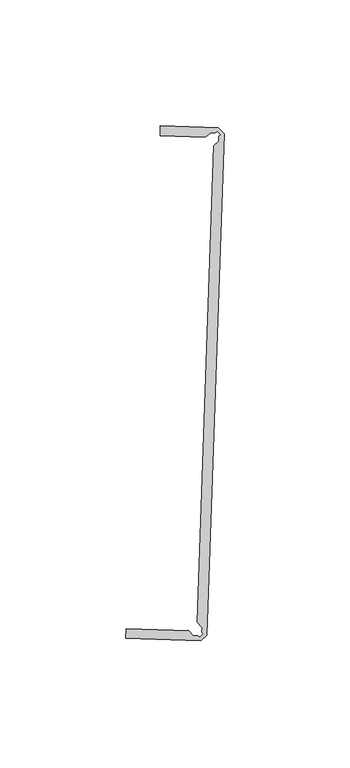
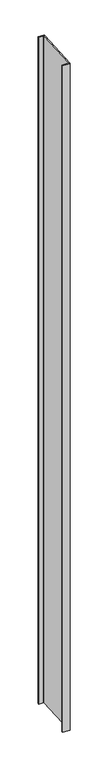
"""IFC4 building model written with IfcOpenShell, lengths in millimetres: proxy geometry."""

from ifc_helpers import new_model, si_unit, frame, origin, place, context, project, spatial, polyline, outline, extrude, source, transform, mapped, element, save


def generic_models_4b23c148(model_context):
    return source(origin(), model_context, "Body", "SweptSolid", [
        extrude(outline(polyline([(18265.9565737, -14895.037942), (18268.2561799, -14897.5005184), (18261.4353456, -15096.8130513), (18258.9770098, -15099.1171903), (18229.1797887, -15098.1399315), (18229.3082859, -15094.1712023), (18254.1773777, -15094.9889013), (18256.0774523, -15097.016132), (18257.900537, -15097.0380109), (18258.5932944, -15097.7307684), (18260.0766488, -15096.340456), (18259.4646109, -15095.6874598), (18259.5262514, -15093.7836554), (18257.634939, -15091.7657736), (18264.1190551, -14902.2925368), (18266.1497831, -14900.3962002), (18266.2149305, -14898.4925126), (18266.8690534, -14897.881679), (18265.4814761, -14896.3957658), (18264.8273532, -14897.0065994), (18262.9236658, -14896.9414517), (18260.8929381, -14898.8377883), (18242.8035481, -14898.2187367), (18242.9393568, -14894.2502509), (18265.9565737, -14895.037942)])), frame((0.0, 0.0, 73.975708), z_axis=(0.0, 0.0, 1.0), x_axis=(1.0, 0.0, 0.0)), (0.0, 0.0, 1.0), 2959.11),
    ])


if __name__ == "__main__":
    model = new_model("IFC4")
    model_context = context("Model", 3, world=origin())
    ifc_project = project(units=[si_unit("LENGTHUNIT", "METRE", prefix="MILLI")], contexts=[model_context])
    site = spatial("IfcSite", under=ifc_project)
    building = spatial("IfcBuilding", under=site)
    placement = place(None, origin())
    generic_models_shape = generic_models_4b23c148(model_context)
    element("IfcBuildingElementProxy", 1, Name="Generic Models", at=placement, inside=building, context=model_context, shape_type="MappedRepresentation", body=[
        mapped(generic_models_shape, transform((0.0, 0.0, 0.0), x_axis=(1.0, 0.0, 0.0), y_axis=(0.0, 1.0, 0.0), z_axis=(0.0, 0.0, 1.0))),
    ])
    save(model, "model.ifc")
